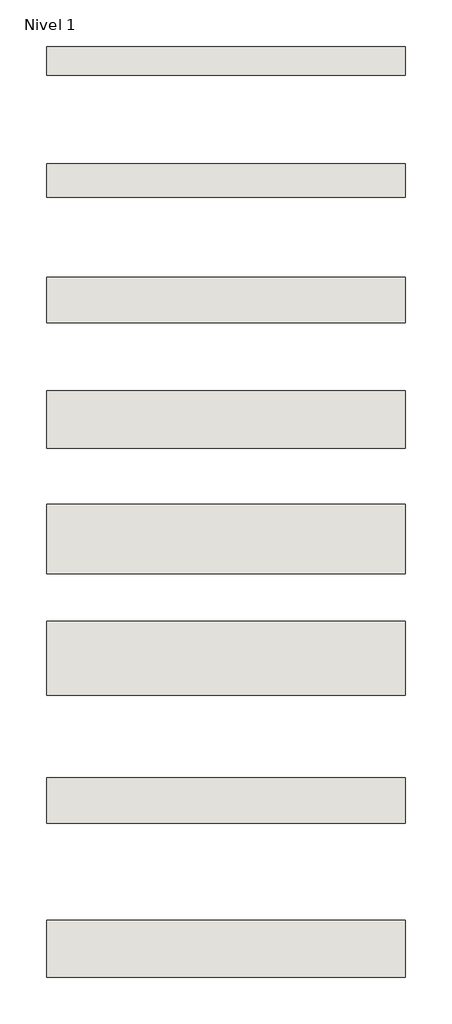
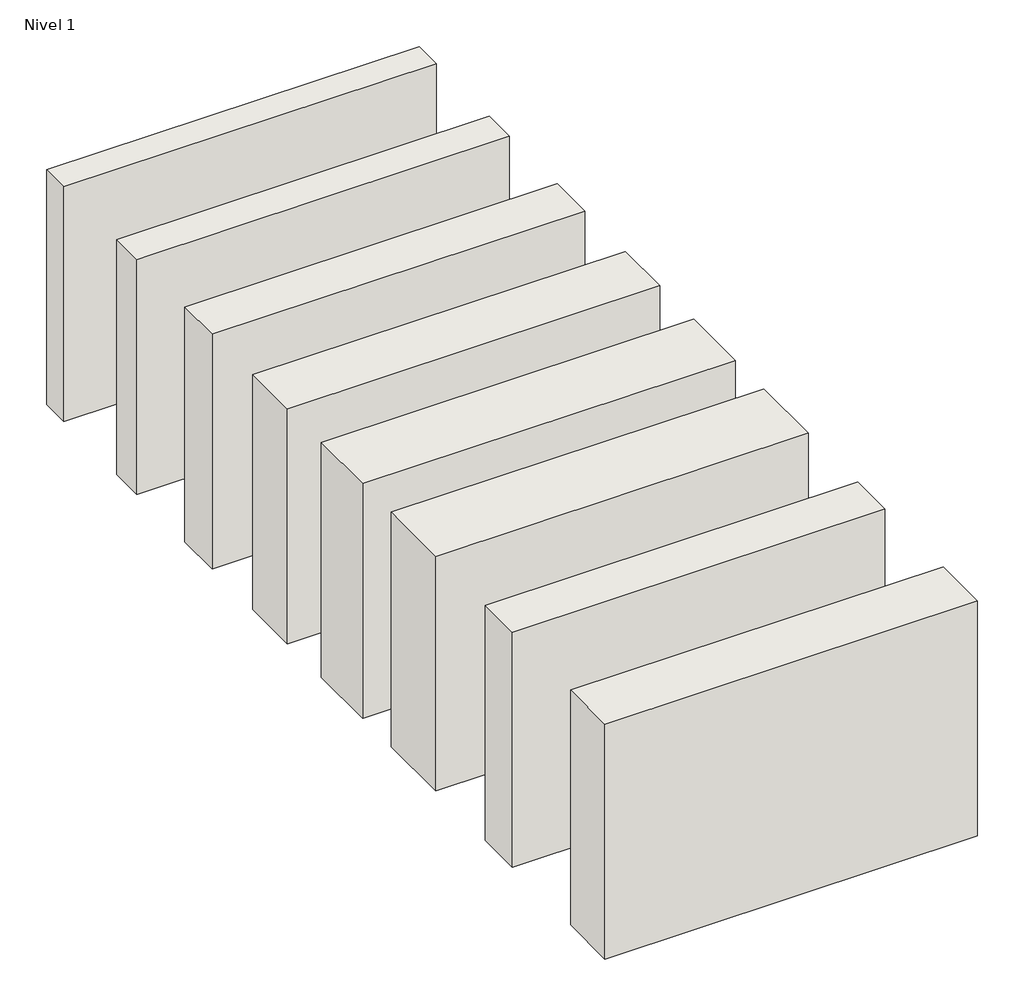
# One storey: 8 walls.
"""IFC4 building model written with IfcOpenShell, lengths in millimetres."""

import ifcopenshell
import ifcopenshell.guid

model = None  # the IFC model being written
_history = None  # IfcOwnerHistory: only IFC2X3 demands one
_inside = {}  # id of a spatial element -> (the spatial element, [elements in it])
_under = {}  # id of a project, library or spatial element -> (it, [spatial elements below it])
_declared = {}  # id of a project -> (the project, [libraries it declares])
_typed = {}  # id of a type object -> (the type object, [elements of that type])
_made_of = {}  # id of a material, layer set ... -> (it, [elements and type objects made of it])


def new_model(schema):
    """Start an empty IFC model of exactly this schema.

    Asked for "IFC4X3", IfcOpenShell would pick the latest addendum, in which some entities
    have other attributes; the version numbers below select the first issue.
    IFC2X3 requires an IfcOwnerHistory on every rooted entity: one is made here for all.
    """
    global model, _history
    if schema == "IFC4X3":
        model = ifcopenshell.file(schema_version=(4, 3, 0, 0))
    else:
        model = ifcopenshell.file(schema=schema)
    _inside.clear()
    _under.clear()
    _declared.clear()
    _typed.clear()
    _made_of.clear()
    _history = None
    if model.schema == "IFC2X3":
        org = make("IfcOrganization", Name="unknown")
        user = make(
            "IfcPersonAndOrganization",
            ThePerson=make("IfcPerson", FamilyName="unknown"),
            TheOrganization=org,
        )
        app = make(
            "IfcApplication",
            ApplicationDeveloper=org,
            Version="unknown",
            ApplicationFullName="unknown",
            ApplicationIdentifier="unknown",
        )
        _history = make(
            "IfcOwnerHistory",
            OwningUser=user,
            OwningApplication=app,
            ChangeAction="ADDED",
            CreationDate=0,
        )
    return model


def make(cls, **values):
    """One entity of the class cls with the attributes given. An attribute that is None is left unset."""
    return model.create_entity(
        cls, **{name: value for name, value in values.items() if value is not None}
    )


def rooted(cls, **values):
    """An entity with a GlobalId (a new one), such as an element, a storey or a relation."""
    return make(cls, GlobalId=ifcopenshell.guid.new(), OwnerHistory=_history, **values)


def si_unit(unit_type, name, prefix=None):
    """IfcSIUnit, for example si_unit("LENGTHUNIT", "METRE", prefix="MILLI")."""
    return make("IfcSIUnit", UnitType=unit_type, Prefix=prefix, Name=name)


def assignment(units):
    """IfcUnitAssignment: the units of a project."""
    return None if units is None else make("IfcUnitAssignment", Units=units)


def point(xyz):
    """IfcCartesianPoint."""
    return None if xyz is None else make("IfcCartesianPoint", Coordinates=xyz)


def direction(xyz):
    """IfcDirection."""
    return None if xyz is None else make("IfcDirection", DirectionRatios=xyz)


def frame(location, z_axis=None, x_axis=None):
    """IfcAxis2Placement3D, a coordinate frame: its origin and axes. An axis left out is left unset."""
    return make(
        "IfcAxis2Placement3D",
        Location=point(location),
        Axis=direction(z_axis),
        RefDirection=direction(x_axis),
    )


def origin():
    """The frame at (0, 0, 0) with its axes left unset."""
    return frame((0.0, 0.0, 0.0))


def origin_with_axes():
    """The frame at (0, 0, 0) with the z axis (0, 0, 1) and the x axis (1, 0, 0) written out."""
    return frame((0.0, 0.0, 0.0), z_axis=(0.0, 0.0, 1.0), x_axis=(1.0, 0.0, 0.0))


def place(relative_to, where):
    """IfcLocalPlacement: puts the frame where relative to a parent placement (None: the world)."""
    return make(
        "IfcLocalPlacement", PlacementRelTo=relative_to, RelativePlacement=where
    )


def context(
    kind, dimensions, precision=None, world=None, true_north=None, identifier=None
):
    """IfcGeometricRepresentationContext, for example the 3D "Model" context."""
    return make(
        "IfcGeometricRepresentationContext",
        ContextIdentifier=identifier,
        ContextType=kind,
        CoordinateSpaceDimension=dimensions,
        Precision=precision,
        WorldCoordinateSystem=world,
        TrueNorth=true_north,
    )


def project(units=None, contexts=None):
    """IfcProject with its units and contexts."""
    return rooted(
        "IfcProject",
        Name="project",
        RepresentationContexts=contexts,
        UnitsInContext=assignment(units),
    )


def spatial(cls, under=None, at=None, **own):
    """A site, building, storey or space (cls), placed at a placement, below another one or the project."""
    s = rooted(cls, ObjectPlacement=at, **own)
    if under is not None:
        _under.setdefault(under.id(), (under, []))[1].append(s)
    return s


def polyline(points):
    """IfcPolyline through the points."""
    return make("IfcPolyline", Points=[point(p) for p in points])


def outline(outer, holes=None, kind="AREA"):
    """IfcArbitraryClosedProfileDef: a profile drawn as a closed curve; with holes, ...WithVoids."""
    if holes is None:
        return make("IfcArbitraryClosedProfileDef", ProfileType=kind, OuterCurve=outer)
    return make(
        "IfcArbitraryProfileDefWithVoids",
        ProfileType=kind,
        OuterCurve=outer,
        InnerCurves=holes,
    )


def extrude(swept, where, along, depth):
    """IfcExtrudedAreaSolid: the profile swept, set in the frame where, extruded along a direction by depth."""
    return make(
        "IfcExtrudedAreaSolid",
        SweptArea=swept,
        Position=where,
        ExtrudedDirection=direction(along),
        Depth=depth,
    )


def shape(context_of_items, identifier, shape_type, items):
    """IfcShapeRepresentation: the items that make up one representation, for example the "Body"."""
    return make(
        "IfcShapeRepresentation",
        ContextOfItems=context_of_items,
        RepresentationIdentifier=identifier,
        RepresentationType=shape_type,
        Items=items,
    )


def made_of(thing, what):
    """Note that an element or type object is made of a material, layer set ...; save() writes the relation."""
    if what is not None:
        _made_of.setdefault(what.id(), (what, []))[1].append(thing)
    return thing


def element(
    cls,
    number,
    at=None,
    inside=None,
    cuts=None,
    type_object=None,
    material=None,
    context=None,
    identifier="Body",
    shape_type=None,
    held_by="IfcProductDefinitionShape",
    body=None,
    shapes=None,
    **own,
):
    """One element of the class cls, such as IfcWall. Its Tag is "e" and its number.

    at: its placement. inside: the storey or other place that contains it. cuts: it is an
    opening in that element (IfcRelVoidsElement). A single representation is given by context,
    identifier, shape_type and body (its items); several are given by shapes. held_by: the class
    of the entity that holds the representations. save() writes the other relations.
    """
    e = rooted(cls, Tag="e%d" % number, ObjectPlacement=at, **own)
    if body is not None:
        shapes = [shape(context, identifier, shape_type, body)]
    if shapes is not None:
        e.Representation = make(held_by, Representations=shapes)
    if inside is not None:
        _inside.setdefault(inside.id(), (inside, []))[1].append(e)
    if cuts is not None:
        rooted(
            "IfcRelVoidsElement", RelatingBuildingElement=cuts, RelatedOpeningElement=e
        )
    if type_object is not None:
        _typed.setdefault(type_object.id(), (type_object, []))[1].append(e)
    return made_of(e, material)


def aggregate(whole, parts):
    """IfcRelAggregates: a whole, such as a stair, and the parts it consists of."""
    return rooted("IfcRelAggregates", RelatingObject=whole, RelatedObjects=parts)


def save(model, path):
    """Write the relations noted so far, then the file.

    IfcRelAggregates (storeys below a building ...), IfcRelContainedInSpatialStructure (elements
    in a storey), IfcRelDefinesByType, IfcRelAssociatesMaterial and IfcRelDeclares: one each for
    every whole, place, type object, material and project.
    """
    for whole, parts in _under.values():
        aggregate(whole, parts)
    for where, things in _inside.values():
        rooted(
            "IfcRelContainedInSpatialStructure",
            RelatedElements=things,
            RelatingStructure=where,
        )
    for kind, things in _typed.values():
        rooted("IfcRelDefinesByType", RelatedObjects=things, RelatingType=kind)
    for what, things in _made_of.values():
        rooted("IfcRelAssociatesMaterial", RelatedObjects=things, RelatingMaterial=what)
    for by, libraries in _declared.values():
        rooted("IfcRelDeclares", RelatingContext=by, RelatedDefinitions=libraries)
    model.write(path)


model = new_model("IFC4")

# Units and contexts
model_context = context("Model", 3, world=origin())
ifc_project = project(units=[si_unit("LENGTHUNIT", "METRE", prefix="MILLI")], contexts=[model_context])

# Site, building, storey
site = spatial("IfcSite", under=ifc_project)
building = spatial("IfcBuilding", under=site)
storey = spatial("IfcBuildingStorey", under=building, Name="Nivel 1", Elevation=0.0)

# Walls
placement = place(None, origin())
element("IfcWall", 1, at=placement, inside=storey, context=model_context, shape_type="SweptSolid", body=[
    extrude(outline(polyline([(-8564.6786944, 8448.0016895), (-10064.6786944, 8448.0016895), (-10064.6786944, 8588.0016895), (-8564.6786944, 8588.0016895), (-8564.6786944, 8448.0016895)])), origin_with_axes(), (0.0, 0.0, 1.0), 1000.0),
])
element("IfcWall", 2, at=placement, inside=storey, context=model_context, shape_type="SweptSolid", body=[
    extrude(outline(polyline([(-8564.6786944, 7923.0016895), (-10064.6786944, 7923.0016895), (-10064.6786944, 8113.0016895), (-8564.6786944, 8113.0016895), (-8564.6786944, 7923.0016895)])), origin_with_axes(), (0.0, 0.0, 1.0), 1000.0),
])
element("IfcWall", 3, at=placement, inside=storey, context=model_context, shape_type="SweptSolid", body=[
    extrude(outline(polyline([(-8564.6786944, 7398.0016895), (-10064.6786944, 7398.0016895), (-10064.6786944, 7638.0016895), (-8564.6786944, 7638.0016895), (-8564.6786944, 7398.0016895)])), origin_with_axes(), (0.0, 0.0, 1.0), 1000.0),
])
element("IfcWall", 4, at=placement, inside=storey, context=model_context, shape_type="SweptSolid", body=[
    extrude(outline(polyline([(-8564.6786944, 6873.0016895), (-10064.6786944, 6873.0016895), (-10064.6786944, 7163.0016895), (-8564.6786944, 7163.0016895), (-8564.6786944, 6873.0016895)])), origin_with_axes(), (0.0, 0.0, 1.0), 1000.0),
])
element("IfcWall", 5, at=placement, inside=storey, context=model_context, shape_type="SweptSolid", body=[
    extrude(outline(polyline([(-8564.6786944, 6363.0016895), (-10064.6786944, 6363.0016895), (-10064.6786944, 6673.0016895), (-8564.6786944, 6673.0016895), (-8564.6786944, 6363.0016895)])), origin_with_axes(), (0.0, 0.0, 1.0), 1000.0),
])
element("IfcWall", 6, at=placement, inside=storey, context=model_context, shape_type="SweptSolid", body=[
    extrude(outline(polyline([(-8564.6786944, 5828.0016895), (-10064.6786944, 5828.0016895), (-10064.6786944, 6018.0016895), (-8564.6786944, 6018.0016895), (-8564.6786944, 5828.0016895)])), origin_with_axes(), (0.0, 0.0, 1.0), 1000.0),
])
element("IfcWall", 7, at=placement, inside=storey, context=model_context, shape_type="SweptSolid", body=[
    extrude(outline(polyline([(-8564.6786944, 5183.0016895), (-10064.6786944, 5183.0016895), (-10064.6786944, 5423.0016895), (-8564.6786944, 5423.0016895), (-8564.6786944, 5183.0016895)])), origin_with_axes(), (0.0, 0.0, 1.0), 1000.0),
])
element("IfcWall", 8, at=placement, inside=storey, context=model_context, shape_type="SweptSolid", body=[
    extrude(outline(polyline([(-8564.6786944, 8958.0016895), (-10064.6786944, 8958.0016895), (-10064.6786944, 9078.0016895), (-8564.6786944, 9078.0016895), (-8564.6786944, 8958.0016895)])), origin_with_axes(), (0.0, 0.0, 1.0), 1000.0),
])

save(model, "model.ifc")
